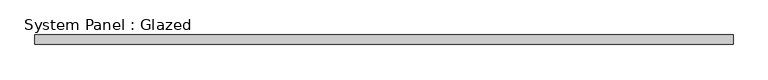
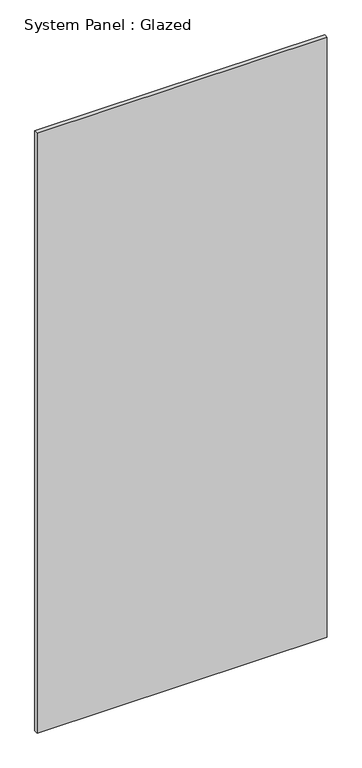
"""IFC4 building model written with IfcOpenShell, lengths in millimetres: plate geometry, System Panel : Glazed."""

from ifc_helpers import new_model, si_unit, origin, origin_with_axes, place, context, project, spatial, polyline, outline, extrude, source, transform, mapped, element, save


def system_panel_glazed_4ade4ac7(model_context):
    return source(origin(), model_context, "Body", "SweptSolid", [
        extrude(outline(polyline([(915.0, 24.5), (-915.0, 24.5), (-915.0, 49.5), (915.0, 49.5), (915.0, 24.5)])), origin_with_axes(), (0.0, 0.0, 1.0), 4000.0),
    ])


if __name__ == "__main__":
    model = new_model("IFC4")
    model_context = context("Model", 3, world=origin())
    ifc_project = project(units=[si_unit("LENGTHUNIT", "METRE", prefix="MILLI")], contexts=[model_context])
    site = spatial("IfcSite", under=ifc_project)
    building = spatial("IfcBuilding", under=site)
    placement = place(None, origin())
    system_panel_glazed_shape = system_panel_glazed_4ade4ac7(model_context)
    element("IfcPlate", 1, ObjectType="System Panel : Glazed", at=placement, inside=building, context=model_context, shape_type="MappedRepresentation", body=[
        mapped(system_panel_glazed_shape, transform((0.0, 0.0, 0.0), x_axis=(1.0, 0.0, 0.0), y_axis=(0.0, 1.0, 0.0), z_axis=(0.0, 0.0, 1.0))),
    ])
    save(model, "model.ifc")
